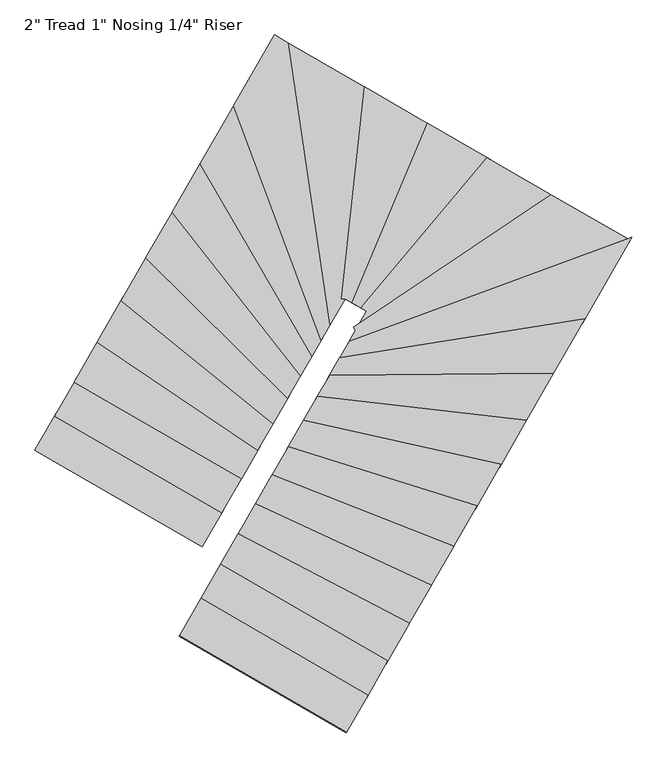
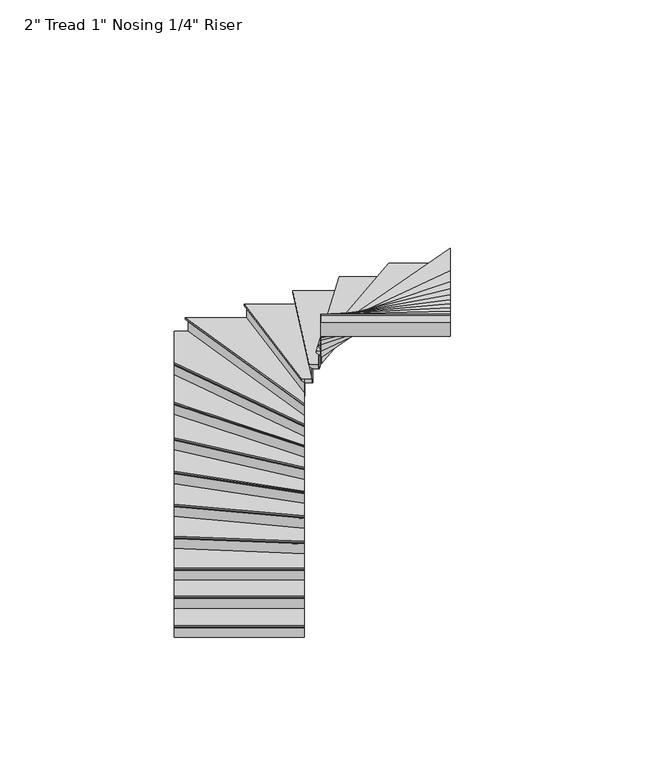
"""IFC4 building model written with IfcOpenShell, lengths in millimetres: stair flight geometry."""

from ifc_helpers import new_model, si_unit, origin, place, context, project, spatial, faceted_brep, source, transform, mapped, element, save


def stair_flight_3e697318(model_context):
    return source(origin(), model_context, "Body", "Brep", [
        faceted_brep([(55483.3110526, -118094.4424169, 12348.7961538), (55483.3110526, -118094.4424169, 12367.8461538), (54295.3554538, -117408.8419097, 12367.8461538), (54295.3554538, -117408.8419097, 12348.7961538), (55496.0073583, -118072.4432391, 12323.3961538), (54308.0517595, -117386.8427319, 12323.3961538), (55635.6667208, -117830.4522838, 12367.8461538), (54447.7111221, -117144.8517766, 12367.8461538), (54308.0517595, -117386.8427319, 12317.0461538), (54447.7111221, -117144.8517766, 12317.0461538), (55635.6667208, -117830.4522838, 12317.0461538), (55496.0073583, -118072.4432391, 12317.0461538)], [[[0, 1, 2, 3]], [[4, 0, 3, 5]], [[2, 1, 6, 7]], [[8, 9, 10, 11]], [[2, 7, 9, 8, 5, 3]], [[8, 11, 4, 5]], [[6, 1, 0, 4, 11, 10]], [[7, 6, 10, 9]]]),
        faceted_brep([(55496.0073583, -118072.4432391, 12317.0461538), (55496.0073583, -118072.4432391, 12192.0), (55499.1814347, -118066.9434447, 12192.0), (55499.1814347, -118066.9434447, 12317.0461538), (54308.0517595, -117386.8427319, 12317.0461538), (54311.2258359, -117381.3429375, 12317.0461538), (54311.2258359, -117381.3429375, 12192.0), (54308.0517595, -117386.8427319, 12192.0)], [[[0, 1, 2, 3]], [[4, 5, 6, 7]], [[1, 0, 4, 7]], [[2, 1, 7, 6]], [[3, 2, 6, 5]], [[0, 3, 5, 4]]]),
        faceted_brep([(55635.6667208, -117830.4522838, 12492.8923077), (55635.6667208, -117830.4522838, 12317.0461538), (55638.8407972, -117824.9524894, 12317.0461538), (55638.8407972, -117824.9524894, 12492.8923077), (54447.7111221, -117144.8517766, 12492.8923077), (54450.8851985, -117139.3519822, 12492.8923077), (54450.8851985, -117139.3519822, 12317.0461538), (54447.7111221, -117144.8517766, 12317.0461538)], [[[0, 1, 2, 3]], [[4, 5, 6, 7]], [[1, 0, 4, 7]], [[2, 1, 7, 6]], [[3, 2, 6, 5]], [[0, 3, 5, 4]]]),
        faceted_brep([(54435.0148164, -117166.8509544, 12543.6923077), (55622.9704151, -117852.4514616, 12543.6923077), (55775.3260834, -117588.4613285, 12543.6923077), (54587.3704847, -116902.8608213, 12543.6923077), (54447.7111221, -117144.8517766, 12492.8923077), (54587.3704847, -116902.8608213, 12492.8923077), (55775.3260834, -117588.4613285, 12492.8923077), (55635.6667208, -117830.4522838, 12492.8923077), (54447.7111221, -117144.8517766, 12499.2423077), (54435.0148164, -117166.8509544, 12524.6423077), (55635.6667208, -117830.4522838, 12499.2423077), (55622.9704151, -117852.4514616, 12524.6423077)], [[[0, 1, 2, 3]], [[4, 5, 6, 7]], [[0, 3, 5, 4, 8, 9]], [[4, 7, 10, 8]], [[2, 1, 11, 10, 7, 6]], [[3, 2, 6, 5]], [[11, 1, 0, 9]], [[10, 11, 9, 8]]]),
        faceted_brep([(55775.3260834, -117588.4613285, 12668.7384615), (55775.3260834, -117588.4613285, 12492.8923077), (55778.5001598, -117582.9615341, 12492.8923077), (55778.5001598, -117582.9615341, 12668.7384615), (54587.3704847, -116902.8608213, 12668.7384615), (54590.5445611, -116897.3610269, 12668.7384615), (54590.5445611, -116897.3610269, 12492.8923077), (54587.3704847, -116902.8608213, 12492.8923077)], [[[0, 1, 2, 3]], [[4, 5, 6, 7]], [[1, 0, 4, 7]], [[2, 1, 7, 6]], [[3, 2, 6, 5]], [[0, 3, 5, 4]]]),
        faceted_brep([(54574.674179, -116924.8599991, 12719.5384615), (55762.6297777, -117610.4605063, 12719.5384615), (55890.6801358, -117388.5847372, 12719.5384615), (54751.3990709, -116618.6447577, 12719.5384615), (54587.3704847, -116902.8608213, 12668.7384615), (54751.3990709, -116618.6447577, 12668.7384615), (55890.6801358, -117388.5847372, 12668.7384615), (55775.3260834, -117588.4613285, 12668.7384615), (54587.3704847, -116902.8608213, 12675.0884615), (54574.674179, -116924.8599991, 12700.4884615), (55775.3260834, -117588.4613285, 12675.0884615), (55762.6297777, -117610.4605063, 12700.4884615)], [[[0, 1, 2, 3]], [[4, 5, 6, 7]], [[0, 3, 5, 4, 8, 9]], [[4, 7, 10, 8]], [[2, 1, 11, 10, 7, 6]], [[3, 2, 6, 5]], [[11, 1, 0, 9]], [[10, 11, 9, 8]]]),
        faceted_brep([(55890.6801358, -117388.5847372, 12844.5846154), (55890.6801358, -117388.5847372, 12668.7384615), (55893.8622014, -117383.0710997, 12668.7384615), (55893.8622014, -117383.0710997, 12844.5846154), (54751.3990709, -116618.6447577, 12844.5846154), (54754.5811365, -116613.1311202, 12844.5846154), (54754.5811365, -116613.1311202, 12668.7384615), (54751.3990709, -116618.6447577, 12668.7384615)], [[[0, 1, 2, 3]], [[4, 5, 6, 7]], [[1, 0, 4, 7]], [[2, 1, 7, 6]], [[3, 2, 6, 5]], [[0, 3, 5, 4]]]),
        faceted_brep([(54738.6708085, -116640.6993076, 12895.3846154), (55877.9518734, -117410.6392871, 12895.3846154), (56000.9924459, -117197.4440874, 12895.3846154), (54920.6524828, -116325.3755198, 12895.3846154), (54751.3990709, -116618.6447577, 12844.5846154), (54920.6524828, -116325.3755198, 12844.5846154), (56000.9924459, -117197.4440874, 12844.5846154), (55890.6801358, -117388.5847372, 12844.5846154), (54751.3990709, -116618.6447577, 12850.9346154), (54738.6708085, -116640.6993076, 12876.3346154), (55890.6801358, -117388.5847372, 12850.9346154), (55877.9518734, -117410.6392871, 12876.3346154)], [[[0, 1, 2, 3]], [[4, 5, 6, 7]], [[0, 3, 5, 4, 8, 9]], [[4, 7, 10, 8]], [[2, 1, 11, 10, 7, 6]], [[3, 2, 6, 5]], [[11, 1, 0, 9]], [[10, 11, 9, 8]]]),
        faceted_brep([(56000.9924459, -117197.4440874, 13020.4307692), (56000.9924459, -117197.4440874, 12844.5846154), (56004.2053861, -117191.8769528, 12844.5846154), (56004.2053861, -117191.8769528, 13020.4307692), (54920.6524828, -116325.3755198, 13020.4307692), (54923.865423, -116319.8083852, 13020.4307692), (54923.865423, -116319.8083852, 12844.5846154), (54920.6524828, -116325.3755198, 12844.5846154)], [[[0, 1, 2, 3]], [[4, 5, 6, 7]], [[1, 0, 4, 7]], [[2, 1, 7, 6]], [[3, 2, 6, 5]], [[0, 3, 5, 4]]]),
        faceted_brep([(54907.8007219, -116347.6440583, 13071.2307692), (55988.1406851, -117219.7126259, 13071.2307692), (56104.509378, -117018.0779439, 13071.2307692), (55097.0082074, -116019.7999431, 13071.2307692), (54920.6524828, -116325.3755198, 13020.4307692), (55097.0082074, -116019.7999431, 13020.4307692), (56104.509378, -117018.0779439, 13020.4307692), (56000.9924459, -117197.4440874, 13020.4307692), (54920.6524828, -116325.3755198, 13026.7807692), (54907.8007219, -116347.6440583, 13052.1807692), (56000.9924459, -117197.4440874, 13026.7807692), (55988.1406851, -117219.7126259, 13052.1807692)], [[[0, 1, 2, 3]], [[4, 5, 6, 7]], [[0, 3, 5, 4, 8, 9]], [[4, 7, 10, 8]], [[2, 1, 11, 10, 7, 6]], [[3, 2, 6, 5]], [[11, 1, 0, 9]], [[10, 11, 9, 8]]]),
        faceted_brep([(56104.509378, -117018.0779439, 13196.2769231), (56104.509378, -117018.0779439, 13020.4307692), (56107.7915596, -117012.390833, 13020.4307692), (56107.7915596, -117012.390833, 13196.2769231), (55097.0082074, -116019.7999431, 13196.2769231), (55100.290389, -116014.1128323, 13196.2769231), (55100.290389, -116014.1128323, 13020.4307692), (55097.0082074, -116019.7999431, 13020.4307692)], [[[0, 1, 2, 3]], [[4, 5, 6, 7]], [[1, 0, 4, 7]], [[2, 1, 7, 6]], [[3, 2, 6, 5]], [[0, 3, 5, 4]]]),
        faceted_brep([(55083.8794808, -116042.5483864, 13247.0769231), (56091.3806514, -117040.8263872, 13247.0769231), (56198.549806, -116855.1319544, 13247.0769231), (55283.3574622, -115696.9083492, 13247.0769231), (55097.0082074, -116019.7999431, 13196.2769231), (55283.3574622, -115696.9083492, 13196.2769231), (56198.549806, -116855.1319544, 13196.2769231), (56104.509378, -117018.0779439, 13196.2769231), (55097.0082074, -116019.7999431, 13202.6269231), (55083.8794808, -116042.5483864, 13228.0269231), (56104.509378, -117018.0779439, 13202.6269231), (56091.3806514, -117040.8263872, 13228.0269231)], [[[0, 1, 2, 3]], [[4, 5, 6, 7]], [[0, 3, 5, 4, 8, 9]], [[4, 7, 10, 8]], [[2, 1, 11, 10, 7, 6]], [[3, 2, 6, 5]], [[11, 1, 0, 9]], [[10, 11, 9, 8]]]),
        faceted_brep([(56198.549806, -116855.1319544, 13372.1230769), (56198.549806, -116855.1319544, 13196.2769231), (56201.9658574, -116849.2128845, 13196.2769231), (56201.9658574, -116849.2128845, 13372.1230769), (55283.3574622, -115696.9083492, 13372.1230769), (55286.7735135, -115690.9892793, 13372.1230769), (55286.7735135, -115690.9892793, 13196.2769231), (55283.3574622, -115696.9083492, 13196.2769231)], [[[0, 1, 2, 3]], [[4, 5, 6, 7]], [[1, 0, 4, 7]], [[2, 1, 7, 6]], [[3, 2, 6, 5]], [[0, 3, 5, 4]]]),
        faceted_brep([(55269.6932567, -115720.5846289, 13422.9230769), (56184.8856006, -116878.8082341, 13422.9230769), (56278.789449, -116716.0988994, 13422.9230769), (55484.3868905, -115348.5800845, 13422.9230769), (55283.3574622, -115696.9083492, 13372.1230769), (55484.3868905, -115348.5800845, 13372.1230769), (56278.789449, -116716.0988994, 13372.1230769), (56198.549806, -116855.1319544, 13372.1230769), (55283.3574622, -115696.9083492, 13378.4730769), (55269.6932567, -115720.5846289, 13403.8730769), (56198.549806, -116855.1319544, 13378.4730769), (56184.8856006, -116878.8082341, 13403.8730769)], [[[0, 1, 2, 3]], [[4, 5, 6, 7]], [[0, 3, 5, 4, 8, 9]], [[4, 7, 10, 8]], [[2, 1, 11, 10, 7, 6]], [[3, 2, 6, 5]], [[11, 1, 0, 9]], [[10, 11, 9, 8]]]),
        faceted_brep([(56278.789449, -116716.0988994, 13547.9692308), (56278.789449, -116716.0988994, 13372.1230769), (56282.4492936, -116709.7574033, 13372.1230769), (56282.4492936, -116709.7574033, 13547.9692308), (55484.3868905, -115348.5800845, 13547.9692308), (55488.0467351, -115342.2385885, 13547.9692308), (55488.0467351, -115342.2385885, 13372.1230769), (55484.3868905, -115348.5800845, 13372.1230769)], [[[0, 1, 2, 3]], [[4, 5, 6, 7]], [[1, 0, 4, 7]], [[2, 1, 7, 6]], [[3, 2, 6, 5]], [[0, 3, 5, 4]]]),
        faceted_brep([(55469.747512, -115373.9460688, 13598.7692308), (56264.1500704, -116741.4648836, 13598.7692308), (56345.5625152, -116600.3996882, 13598.7692308), (55723.7276855, -114933.8688432, 13598.7692308), (55484.3868905, -115348.5800845, 13547.9692308), (55723.7276855, -114933.8688432, 13547.9692308), (56345.5625152, -116600.3996882, 13547.9692308), (56278.789449, -116716.0988994, 13547.9692308), (55484.3868905, -115348.5800845, 13554.3192308), (55469.747512, -115373.9460688, 13579.7192308), (56278.789449, -116716.0988994, 13554.3192308), (56264.1500704, -116741.4648836, 13579.7192308)], [[[0, 1, 2, 3]], [[4, 5, 6, 7]], [[0, 3, 5, 4, 8, 9]], [[4, 7, 10, 8]], [[2, 1, 11, 10, 7, 6]], [[3, 2, 6, 5]], [[11, 1, 0, 9]], [[10, 11, 9, 8]]]),
        faceted_brep([(56345.5625152, -116600.3996882, 13723.8153846), (56345.5625152, -116600.3996882, 13547.9692308), (56349.6788281, -116593.2672591, 13547.9692308), (56349.6788281, -116593.2672591, 13723.8153846), (55723.7276855, -114933.8688432, 13723.8153846), (55727.8439985, -114926.736414, 13723.8153846), (55727.8439985, -114926.736414, 13547.9692308), (55723.7276855, -114933.8688432, 13547.9692308)], [[[0, 1, 2, 3]], [[4, 5, 6, 7]], [[1, 0, 4, 7]], [[2, 1, 7, 6]], [[3, 2, 6, 5]], [[0, 3, 5, 4]]]),
        faceted_brep([(56127.1982329, -114535.1385758, 13774.6153846), (55997.1584277, -114460.0891745, 13774.6153846), (55707.2624336, -114962.3985598, 13774.6153846), (56329.0972633, -116628.9294049, 13774.6153846), (56413.1773754, -116483.2418815, 13774.6153846), (55997.1584277, -114460.0891745, 13723.8153846), (56127.1982329, -114535.1385758, 13723.8153846), (56413.1773754, -116483.2418815, 13723.8153846), (56345.5625152, -116600.3996882, 13723.8153846), (55723.7276855, -114933.8688432, 13723.8153846), (56345.5625152, -116600.3996882, 13730.1653846), (55723.7276855, -114933.8688432, 13730.1653846), (56329.0972633, -116628.9294049, 13755.5653846), (55707.2624336, -114962.3985598, 13755.5653846)], [[[0, 1, 2, 3, 4]], [[5, 6, 7, 8, 9]], [[1, 0, 6, 5]], [[9, 8, 10, 11]], [[4, 3, 12, 10, 8, 7]], [[0, 4, 7, 6]], [[12, 3, 2, 13]], [[10, 12, 13, 11]], [[2, 1, 5, 9, 11, 13]]]),
        faceted_brep([(56413.1773754, -116483.2418815, 13899.6615385), (56413.1773754, -116483.2418815, 13723.8153846), (56418.2939673, -116474.3762462, 13723.8153846), (56418.2939673, -116474.3762462, 13899.6615385), (56127.1982329, -114535.1385758, 13899.6615385), (56134.2103671, -114539.1854634, 13899.6615385), (56134.2103671, -114539.1854634, 13723.8153846), (56127.1982329, -114535.1385758, 13723.8153846)], [[[0, 1, 2, 3]], [[4, 5, 6, 7]], [[1, 0, 4, 7]], [[2, 1, 7, 6]], [[3, 2, 6, 5]], [[0, 3, 5, 4]]]),
        faceted_brep([(56099.149696, -114518.9510254, 13950.4615385), (56392.7110076, -116518.7044225, 13950.4615385), (56498.6326324, -116335.1716132, 13950.4615385), (56660.5784854, -114842.9663868, 13950.4615385), (56127.1982329, -114535.1385758, 13899.6615385), (56660.5784854, -114842.9663868, 13899.6615385), (56498.6326324, -116335.1716132, 13899.6615385), (56413.1773754, -116483.2418815, 13899.6615385), (56127.1982329, -114535.1385758, 13906.0115385), (56099.149696, -114518.9510254, 13931.4115385), (56413.1773754, -116483.2418815, 13906.0115385), (56392.7110076, -116518.7044225, 13931.4115385)], [[[0, 1, 2, 3]], [[4, 5, 6, 7]], [[0, 3, 5, 4, 8, 9]], [[4, 7, 10, 8]], [[2, 1, 11, 10, 7, 6]], [[3, 2, 6, 5]], [[11, 1, 0, 9]], [[10, 11, 9, 8]]]),
        faceted_brep([(56498.6326324, -116335.1716132, 14075.5076923), (56498.6326324, -116335.1716132, 13899.6615385), (56504.9455634, -116335.8567421, 13899.6615385), (56504.9455634, -116335.8567421, 14075.5076923), (56660.5784854, -114842.9663868, 14075.5076923), (56666.5892895, -114846.4353804, 14075.5076923), (56666.5892895, -114846.4353804, 13899.6615385), (56660.5784854, -114842.9663868, 13899.6615385)], [[[0, 1, 2, 3]], [[4, 5, 6, 7]], [[1, 0, 4, 7]], [[2, 1, 7, 6]], [[3, 2, 6, 5]], [[0, 3, 5, 4]]]),
        faceted_brep([(56636.5352688, -114829.0904124, 14126.3076923), (56473.3809082, -116332.4310974, 14126.3076923), (56498.6326324, -116335.1716132, 14126.3076923), (56499.5135193, -116333.6452804, 14126.3076923), (56571.8409572, -116375.3873524, 14126.3076923), (57105.7801082, -115099.9039851, 14126.3076923), (56660.5784854, -114842.9663868, 14075.5076923), (57105.7801082, -115099.9039851, 14075.5076923), (56571.8409572, -116375.3873524, 14075.5076923), (56499.5135193, -116333.6452804, 14075.5076923), (56498.6326324, -116335.1716132, 14075.5076923), (56660.5784854, -114842.9663868, 14081.8576923), (56636.5352688, -114829.0904124, 14107.2576923), (56498.6326324, -116335.1716132, 14081.8576923), (56473.3809082, -116332.4310974, 14107.2576923)], [[[0, 1, 2, 3, 4, 5]], [[6, 7, 8, 9, 10]], [[0, 5, 7, 6, 11, 12]], [[6, 10, 13, 11]], [[3, 2, 13, 10, 9]], [[4, 3, 9, 8]], [[5, 4, 8, 7]], [[14, 1, 0, 12]], [[13, 14, 12, 11]], [[1, 14, 13, 2]]]),
        faceted_brep([(56571.8409572, -116375.3873524, 14251.3538462), (56571.8409572, -116375.3873524, 14075.5076923), (56577.3853899, -116378.5871907, 14075.5076923), (56577.3853899, -116378.5871907, 14251.3538462), (57105.7801082, -115099.9039851, 14251.3538462), (57111.3245409, -115103.1038234, 14251.3538462), (57111.3245409, -115103.1038234, 14075.5076923), (57105.7801082, -115099.9039851, 14075.5076923)], [[[0, 1, 2, 3]], [[4, 5, 6, 7]], [[1, 0, 4, 7]], [[2, 1, 7, 6]], [[3, 2, 6, 5]], [[0, 3, 5, 4]]]),
        faceted_brep([(57083.6023775, -115087.1046318, 14302.1538462), (56549.6632265, -116362.5879991, 14302.1538462), (56634.3598376, -116411.4686472, 14302.1538462), (57528.8643257, -115344.0770455, 14302.1538462), (57105.7801082, -115099.9039851, 14251.3538462), (57528.8643257, -115344.0770455, 14251.3538462), (56634.3598376, -116411.4686472, 14251.3538462), (56571.8409572, -116375.3873524, 14251.3538462), (57105.7801082, -115099.9039851, 14257.7038462), (57083.6023775, -115087.1046318, 14283.1038462), (56571.8409572, -116375.3873524, 14257.7038462), (56549.6632265, -116362.5879991, 14283.1038462)], [[[0, 1, 2, 3]], [[4, 5, 6, 7]], [[0, 3, 5, 4, 8, 9]], [[4, 7, 10, 8]], [[3, 2, 6, 5]], [[11, 1, 0, 9]], [[10, 11, 9, 8]], [[2, 1, 11, 10, 7, 6]]]),
        faceted_brep([(56634.3598376, -116411.4686472, 14427.2), (56634.3598376, -116411.4686472, 14251.3538462), (56639.9440219, -116414.6914272, 14251.3538462), (56639.9440219, -116414.6914272, 14427.2), (57528.8643257, -115344.0770455, 14427.2), (57534.44851, -115347.2998255, 14427.2), (57534.44851, -115347.2998255, 14251.3538462), (57528.8643257, -115344.0770455, 14251.3538462)], [[[0, 1, 2, 3]], [[4, 5, 6, 7]], [[1, 0, 4, 7]], [[2, 1, 7, 6]], [[3, 2, 6, 5]], [[0, 3, 5, 4]]]),
        faceted_brep([(57506.5275886, -115331.1859254, 14478.0), (56612.0231004, -116398.577527, 14478.0), (56652.4189133, -116421.891016, 14478.0), (56575.4284532, -116555.294138, 14478.0), (57985.3178432, -115607.508409, 14478.0), (57528.8643257, -115344.0770455, 14427.2), (57985.3178432, -115607.508409, 14427.2), (56575.4284532, -116555.294138, 14427.2), (56652.4189133, -116421.891016, 14427.2), (56634.3598376, -116411.4686472, 14427.2), (57528.8643257, -115344.0770455, 14433.55), (57506.5275886, -115331.1859254, 14458.95), (56634.3598376, -116411.4686472, 14433.55), (56612.0231004, -116398.577527, 14458.95)], [[[0, 1, 2, 3, 4]], [[5, 6, 7, 8, 9]], [[0, 4, 6, 5, 10, 11]], [[5, 9, 12, 10]], [[2, 1, 13, 12, 9, 8]], [[4, 3, 7, 6]], [[13, 1, 0, 11]], [[12, 13, 11, 10]], [[3, 2, 8, 7]]]),
        faceted_brep([(56575.4284532, -116555.294138, 14603.0461538), (56575.4284532, -116555.294138, 14427.2), (56578.9711115, -116560.5640595, 14427.2), (56578.9711115, -116560.5640595, 14603.0461538), (57985.3178432, -115607.508409, 14603.0461538), (57991.4420956, -115611.0428765, 14603.0461538), (57991.4420956, -115611.0428765, 14427.2), (57985.3178432, -115607.508409, 14427.2)], [[[0, 1, 2, 3]], [[4, 5, 6, 7]], [[1, 0, 4, 7]], [[2, 1, 7, 6]], [[3, 2, 6, 5]], [[0, 3, 5, 4]]]),
        faceted_brep([(58518.7914816, -115931.9830035, 14653.8461538), (58525.9750192, -115919.5359245, 14653.8461538), (57960.8208337, -115593.3705387, 14653.8461538), (56561.25782, -116534.2144522, 14653.8461538), (56575.4284532, -116555.294138, 14653.8461538), (56509.6610007, -116669.2508994, 14653.8461538), (58525.9750192, -115919.5359245, 14603.0461538), (58518.7914816, -115931.9830035, 14603.0461538), (56509.6610007, -116669.2508994, 14603.0461538), (56575.4284532, -116555.294138, 14603.0461538), (57985.3178432, -115607.508409, 14603.0461538), (56575.4284532, -116555.294138, 14609.3961538), (57985.3178432, -115607.508409, 14609.3961538), (56561.25782, -116534.2144522, 14634.7961538), (57960.8208337, -115593.3705387, 14634.7961538)], [[[0, 1, 2, 3, 4, 5]], [[6, 7, 8, 9, 10]], [[1, 0, 7, 6]], [[10, 9, 11, 12]], [[5, 4, 11, 9, 8]], [[0, 5, 8, 7]], [[13, 3, 2, 14]], [[11, 13, 14, 12]], [[3, 13, 11, 4]], [[2, 1, 6, 10, 12, 14]]]),
        faceted_brep([(56509.6610007, -116669.2508994, 14778.8923077), (56509.6610007, -116669.2508994, 14603.0461538), (56504.7084302, -116677.832331, 14603.0461538), (56504.7084302, -116677.832331, 14778.8923077), (58518.7914816, -115931.9830035, 14778.8923077), (58513.8389111, -115940.5644351, 14778.8923077), (58513.8389111, -115940.5644351, 14603.0461538), (58518.7914816, -115931.9830035, 14603.0461538)], [[[0, 1, 2, 3]], [[4, 5, 6, 7]], [[1, 0, 4, 7]], [[2, 1, 7, 6]], [[3, 2, 6, 5]], [[0, 3, 5, 4]]]),
        faceted_brep([(58538.6017635, -115897.6572772, 14829.6923077), (56529.4712826, -116634.9251731, 14829.6923077), (56444.5185758, -116782.1246613, 14829.6923077), (58188.8462907, -116503.6865433, 14829.6923077), (58518.7914816, -115931.9830035, 14778.8923077), (58188.8462907, -116503.6865433, 14778.8923077), (56444.5185758, -116782.1246613, 14778.8923077), (56509.6610007, -116669.2508994, 14778.8923077), (58518.7914816, -115931.9830035, 14785.2423077), (58538.6017635, -115897.6572772, 14810.6423077), (56509.6610007, -116669.2508994, 14785.2423077), (56529.4712826, -116634.9251731, 14810.6423077)], [[[0, 1, 2, 3]], [[4, 5, 6, 7]], [[0, 3, 5, 4, 8, 9]], [[4, 7, 10, 8]], [[2, 1, 11, 10, 7, 6]], [[3, 2, 6, 5]], [[11, 1, 0, 9]], [[10, 11, 9, 8]]]),
        faceted_brep([(56444.5185758, -116782.1246613, 14954.7384615), (56444.5185758, -116782.1246613, 14778.8923077), (56440.4308514, -116789.2075543, 14778.8923077), (56440.4308514, -116789.2075543, 14954.7384615), (58188.8462907, -116503.6865433, 14954.7384615), (58184.7585663, -116510.7694363, 14954.7384615), (58184.7585663, -116510.7694363, 14778.8923077), (58188.8462907, -116503.6865433, 14778.8923077)], [[[0, 1, 2, 3]], [[4, 5, 6, 7]], [[1, 0, 4, 7]], [[2, 1, 7, 6]], [[3, 2, 6, 5]], [[0, 3, 5, 4]]]),
        faceted_brep([(58205.1971881, -116475.3549712, 15005.5384615), (56460.8694732, -116753.7930892, 15005.5384615), (56376.1510211, -116900.5866789, 15005.5384615), (57966.7396718, -116888.5357354, 15005.5384615), (58188.8462907, -116503.6865433, 14954.7384615), (57966.7396718, -116888.5357354, 14954.7384615), (56376.1510211, -116900.5866789, 14954.7384615), (56444.5185758, -116782.1246613, 14954.7384615), (58188.8462907, -116503.6865433, 14961.0884615), (58205.1971881, -116475.3549712, 14986.4884615), (56444.5185758, -116782.1246613, 14961.0884615), (56460.8694732, -116753.7930892, 14986.4884615)], [[[0, 1, 2, 3]], [[4, 5, 6, 7]], [[0, 3, 5, 4, 8, 9]], [[4, 7, 10, 8]], [[2, 1, 11, 10, 7, 6]], [[3, 2, 6, 5]], [[11, 1, 0, 9]], [[10, 11, 9, 8]]]),
        faceted_brep([(56376.1510211, -116900.5866789, 15130.5846154), (56376.1510211, -116900.5866789, 14954.7384615), (56372.4700683, -116906.9647496, 14954.7384615), (56372.4700683, -116906.9647496, 15130.5846154), (57966.7396718, -116888.5357354, 15130.5846154), (57963.0587191, -116894.9138061, 15130.5846154), (57963.0587191, -116894.9138061, 14954.7384615), (57966.7396718, -116888.5357354, 14954.7384615)], [[[0, 1, 2, 3]], [[4, 5, 6, 7]], [[1, 0, 4, 7]], [[2, 1, 7, 6]], [[3, 2, 6, 5]], [[0, 3, 5, 4]]]),
        faceted_brep([(57981.463483, -116863.0234529, 15181.3846154), (56390.8748322, -116875.0743964, 15181.3846154), (56290.9193651, -117048.2695086, 15181.3846154), (57774.4483697, -117221.7232499, 15181.3846154), (57966.7396718, -116888.5357354, 15130.5846154), (57774.4483697, -117221.7232499, 15130.5846154), (56290.9193651, -117048.2695086, 15130.5846154), (56376.1510211, -116900.5866789, 15130.5846154), (57966.7396718, -116888.5357354, 15136.9346154), (57981.463483, -116863.0234529, 15162.3346154), (56376.1510211, -116900.5866789, 15136.9346154), (56390.8748322, -116875.0743964, 15162.3346154)], [[[0, 1, 2, 3]], [[4, 5, 6, 7]], [[0, 3, 5, 4, 8, 9]], [[4, 7, 10, 8]], [[2, 1, 11, 10, 7, 6]], [[3, 2, 6, 5]], [[11, 1, 0, 9]], [[10, 11, 9, 8]]]),
        faceted_brep([(56290.9193651, -117048.2695086, 15306.4307692), (56290.9193651, -117048.2695086, 15130.5846154), (56287.4628832, -117054.2586334, 15130.5846154), (56287.4628832, -117054.2586334, 15306.4307692), (57774.4483697, -117221.7232499, 15306.4307692), (57770.9918878, -117227.7123748, 15306.4307692), (57770.9918878, -117227.7123748, 15130.5846154), (57774.4483697, -117221.7232499, 15130.5846154)], [[[0, 1, 2, 3]], [[4, 5, 6, 7]], [[1, 0, 4, 7]], [[2, 1, 7, 6]], [[3, 2, 6, 5]], [[0, 3, 5, 4]]]),
        faceted_brep([(57788.2742973, -117197.7667506, 15357.2307692), (56304.7452927, -117024.3130093, 15357.2307692), (56191.8685282, -117219.8971475, 15357.2307692), (57595.2160841, -117532.2831094, 15357.2307692), (57774.4483697, -117221.7232499, 15306.4307692), (57595.2160841, -117532.2831094, 15306.4307692), (56191.8685282, -117219.8971475, 15306.4307692), (56290.9193651, -117048.2695086, 15306.4307692), (57774.4483697, -117221.7232499, 15312.7807692), (57788.2742973, -117197.7667506, 15338.1807692), (56290.9193651, -117048.2695086, 15312.7807692), (56304.7452927, -117024.3130093, 15338.1807692)], [[[0, 1, 2, 3]], [[4, 5, 6, 7]], [[0, 3, 5, 4, 8, 9]], [[4, 7, 10, 8]], [[2, 1, 11, 10, 7, 6]], [[3, 2, 6, 5]], [[11, 1, 0, 9]], [[10, 11, 9, 8]]]),
        faceted_brep([(56191.8685282, -117219.8971475, 15482.2769231), (56191.8685282, -117219.8971475, 15306.4307692), (56188.5414966, -117225.6619707, 15306.4307692), (56188.5414966, -117225.6619707, 15482.2769231), (57595.2160841, -117532.2831094, 15482.2769231), (57591.8890526, -117538.0479327, 15482.2769231), (57591.8890526, -117538.0479327, 15306.4307692), (57595.2160841, -117532.2831094, 15306.4307692)], [[[0, 1, 2, 3]], [[4, 5, 6, 7]], [[1, 0, 4, 7]], [[2, 1, 7, 6]], [[3, 2, 6, 5]], [[0, 3, 5, 4]]]),
        faceted_brep([(57608.5242104, -117509.2238162, 15533.0769231), (56205.1766544, -117196.8378543, 15533.0769231), (56083.6564667, -117407.3986486, 15533.0769231), (57424.7076798, -117827.7269013, 15533.0769231), (57595.2160841, -117532.2831094, 15482.2769231), (57424.7076798, -117827.7269013, 15482.2769231), (56083.6564667, -117407.3986486, 15482.2769231), (56191.8685282, -117219.8971475, 15482.2769231), (57595.2160841, -117532.2831094, 15488.6269231), (57608.5242104, -117509.2238162, 15514.0269231), (56191.8685282, -117219.8971475, 15488.6269231), (56205.1766544, -117196.8378543, 15514.0269231)], [[[0, 1, 2, 3]], [[4, 5, 6, 7]], [[0, 3, 5, 4, 8, 9]], [[4, 7, 10, 8]], [[2, 1, 11, 10, 7, 6]], [[3, 2, 6, 5]], [[11, 1, 0, 9]], [[10, 11, 9, 8]]]),
        faceted_brep([(56083.6564667, -117407.3986486, 15658.1230769), (56083.6564667, -117407.3986486, 15482.2769231), (56080.4042175, -117413.0338947, 15482.2769231), (56080.4042175, -117413.0338947, 15658.1230769), (57424.7076798, -117827.7269013, 15658.1230769), (57421.4554306, -117833.3621474, 15658.1230769), (57421.4554306, -117833.3621474, 15482.2769231), (57424.7076798, -117827.7269013, 15482.2769231)], [[[0, 1, 2, 3]], [[4, 5, 6, 7]], [[1, 0, 4, 7]], [[2, 1, 7, 6]], [[3, 2, 6, 5]], [[0, 3, 5, 4]]]),
        faceted_brep([(57437.7166764, -117805.1859169, 15708.9230769), (56096.6654633, -117384.8576642, 15708.9230769), (55969.0639488, -117605.9557118, 15708.9230769), (57260.3202403, -118112.5647581, 15708.9230769), (57424.7076798, -117827.7269013, 15658.1230769), (57260.3202403, -118112.5647581, 15658.1230769), (55969.0639488, -117605.9557118, 15658.1230769), (56083.6564667, -117407.3986486, 15658.1230769), (57424.7076798, -117827.7269013, 15664.4730769), (57437.7166764, -117805.1859169, 15689.8730769), (56083.6564667, -117407.3986486, 15664.4730769), (56096.6654633, -117384.8576642, 15689.8730769)], [[[0, 1, 2, 3]], [[4, 5, 6, 7]], [[0, 3, 5, 4, 8, 9]], [[4, 7, 10, 8]], [[2, 1, 11, 10, 7, 6]], [[3, 2, 6, 5]], [[11, 1, 0, 9]], [[10, 11, 9, 8]]]),
        faceted_brep([(55969.0639488, -117605.9557118, 15833.9692308), (55969.0639488, -117605.9557118, 15658.1230769), (55965.8540456, -117611.517584, 15658.1230769), (55965.8540456, -117611.517584, 15833.9692308), (57260.3202403, -118112.5647581, 15833.9692308), (57257.1103371, -118118.1266303, 15833.9692308), (57257.1103371, -118118.1266303, 15658.1230769), (57260.3202403, -118112.5647581, 15658.1230769)], [[[0, 1, 2, 3]], [[4, 5, 6, 7]], [[1, 0, 4, 7]], [[2, 1, 7, 6]], [[3, 2, 6, 5]], [[0, 3, 5, 4]]]),
        faceted_brep([(57273.159853, -118090.317269, 15884.7692308), (55981.9035615, -117583.7082227, 15884.7692308), (55849.8518315, -117812.5172599, 15884.7692308), (57100.3946609, -118389.6714484, 15884.7692308), (57260.3202403, -118112.5647581, 15833.9692308), (57100.3946609, -118389.6714484, 15833.9692308), (55849.8518315, -117812.5172599, 15833.9692308), (55969.0639488, -117605.9557118, 15833.9692308), (57260.3202403, -118112.5647581, 15840.3192308), (57273.159853, -118090.317269, 15865.7192308), (55969.0639488, -117605.9557118, 15840.3192308), (55981.9035615, -117583.7082227, 15865.7192308)], [[[0, 1, 2, 3]], [[4, 5, 6, 7]], [[0, 3, 5, 4, 8, 9]], [[4, 7, 10, 8]], [[2, 1, 11, 10, 7, 6]], [[3, 2, 6, 5]], [[11, 1, 0, 9]], [[10, 11, 9, 8]]]),
        faceted_brep([(55849.8518315, -117812.5172599, 16009.8153846), (55849.8518315, -117812.5172599, 15833.9692308), (55846.6645569, -117818.0399232, 15833.9692308), (55846.6645569, -117818.0399232, 16009.8153846), (57100.3946609, -118389.6714484, 16009.8153846), (57097.2073863, -118395.1941116, 16009.8153846), (57097.2073863, -118395.1941116, 15833.9692308), (57100.3946609, -118389.6714484, 15833.9692308)], [[[0, 1, 2, 3]], [[4, 5, 6, 7]], [[1, 0, 4, 7]], [[2, 1, 7, 6]], [[3, 2, 6, 5]], [[0, 3, 5, 4]]]),
        faceted_brep([(57113.1437594, -118367.5807953, 16060.6153846), (55862.60093, -117790.4266069, 16060.6153846), (55727.1885415, -118025.0587336, 16060.6153846), (56943.8226061, -118660.9674104, 16060.6153846), (57100.3946609, -118389.6714484, 16009.8153846), (56943.8226061, -118660.9674104, 16009.8153846), (55727.1885415, -118025.0587336, 16009.8153846), (55849.8518315, -117812.5172599, 16009.8153846), (57100.3946609, -118389.6714484, 16016.1653846), (57113.1437594, -118367.5807953, 16041.5653846), (55849.8518315, -117812.5172599, 16016.1653846), (55862.60093, -117790.4266069, 16041.5653846)], [[[0, 1, 2, 3]], [[4, 5, 6, 7]], [[0, 3, 5, 4, 8, 9]], [[4, 7, 10, 8]], [[2, 1, 11, 10, 7, 6]], [[3, 2, 6, 5]], [[11, 1, 0, 9]], [[10, 11, 9, 8]]]),
        faceted_brep([(55727.1885415, -118025.0587336, 16185.6615385), (55727.1885415, -118025.0587336, 16009.8153846), (55724.0116894, -118030.5633375, 16009.8153846), (55724.0116894, -118030.5633375, 16185.6615385), (56943.8226061, -118660.9674104, 16185.6615385), (56940.645754, -118666.4720143, 16185.6615385), (56940.645754, -118666.4720143, 16009.8153846), (56943.8226061, -118660.9674104, 16009.8153846)], [[[0, 1, 2, 3]], [[4, 5, 6, 7]], [[1, 0, 4, 7]], [[2, 1, 7, 6]], [[3, 2, 6, 5]], [[0, 3, 5, 4]]]),
        faceted_brep([(56956.5300144, -118638.9489948, 16236.4615385), (55739.8959498, -118003.040318, 16236.4615385), (55601.8795145, -118242.1845359, 16236.4615385), (56789.8351132, -118927.7850431, 16236.4615385), (56943.8226061, -118660.9674104, 16185.6615385), (56789.8351132, -118927.7850431, 16185.6615385), (55601.8795145, -118242.1845359, 16185.6615385), (55727.1885415, -118025.0587336, 16185.6615385), (56943.8226061, -118660.9674104, 16192.0115385), (56956.5300144, -118638.9489948, 16217.4115385), (55727.1885415, -118025.0587336, 16192.0115385), (55739.8959498, -118003.040318, 16217.4115385)], [[[0, 1, 2, 3]], [[4, 5, 6, 7]], [[0, 3, 5, 4, 8, 9]], [[4, 7, 10, 8]], [[2, 1, 11, 10, 7, 6]], [[3, 2, 6, 5]], [[11, 1, 0, 9]], [[10, 11, 9, 8]]]),
        faceted_brep([(55601.8795145, -118242.1845359, 16361.5076923), (55601.8795145, -118242.1845359, 16185.6615385), (55598.7054381, -118247.6843303, 16185.6615385), (55598.7054381, -118247.6843303, 16361.5076923), (56789.8351132, -118927.7850431, 16361.5076923), (56786.6610368, -118933.2848375, 16361.5076923), (56786.6610368, -118933.2848375, 16185.6615385), (56789.8351132, -118927.7850431, 16185.6615385)], [[[0, 1, 2, 3]], [[4, 5, 6, 7]], [[1, 0, 4, 7]], [[2, 1, 7, 6]], [[3, 2, 6, 5]], [[0, 3, 5, 4]]]),
        faceted_brep([(56802.5314189, -118905.7858653, 16412.3076923), (55614.5758202, -118220.1853581, 16412.3076923), (55462.2201519, -118484.1754912, 16412.3076923), (56650.1757506, -119169.7759984, 16412.3076923), (56789.8351132, -118927.7850431, 16361.5076923), (56650.1757506, -119169.7759984, 16361.5076923), (55462.2201519, -118484.1754912, 16361.5076923), (55601.8795145, -118242.1845359, 16361.5076923), (56789.8351132, -118927.7850431, 16367.8576923), (56802.5314189, -118905.7858653, 16393.2576923), (55601.8795145, -118242.1845359, 16367.8576923), (55614.5758202, -118220.1853581, 16393.2576923)], [[[0, 1, 2, 3]], [[4, 5, 6, 7]], [[0, 3, 5, 4, 8, 9]], [[4, 7, 10, 8]], [[2, 1, 11, 10, 7, 6]], [[3, 2, 6, 5]], [[11, 1, 0, 9]], [[10, 11, 9, 8]]]),
        faceted_brep([(55462.2201519, -118484.1754912, 16537.3538462), (55462.2201519, -118484.1754912, 16361.5076923), (55459.0460755, -118489.6752856, 16361.5076923), (55459.0460755, -118489.6752856, 16537.3538462), (56650.1757506, -119169.7759984, 16537.3538462), (56647.0016742, -119175.2757928, 16537.3538462), (56647.0016742, -119175.2757928, 16361.5076923), (56650.1757506, -119169.7759984, 16361.5076923)], [[[0, 1, 2, 3]], [[4, 5, 6, 7]], [[1, 0, 4, 7]], [[2, 1, 7, 6]], [[3, 2, 6, 5]], [[0, 3, 5, 4]]]),
        faceted_brep([(55322.5607893, -118726.1664465, 16713.2), (55322.5607893, -118726.1664465, 16537.3538462), (55319.3867129, -118731.6662409, 16537.3538462), (55319.3867129, -118731.6662409, 16713.2), (56510.5163881, -119411.7669537, 16713.2), (56507.3423116, -119417.2667481, 16713.2), (56507.3423116, -119417.2667481, 16537.3538462), (56510.5163881, -119411.7669537, 16537.3538462)], [[[0, 1, 2, 3]], [[4, 5, 6, 7]], [[1, 0, 4, 7]], [[2, 1, 7, 6]], [[3, 2, 6, 5]], [[0, 3, 5, 4]]]),
        faceted_brep([(56662.8720563, -119147.7768206, 16588.1538462), (55474.9164576, -118462.1763134, 16588.1538462), (55322.5607893, -118726.1664465, 16588.1538462), (56510.5163881, -119411.7669537, 16588.1538462), (56650.1757506, -119169.7759984, 16537.3538462), (56510.5163881, -119411.7669537, 16537.3538462), (55322.5607893, -118726.1664465, 16537.3538462), (55462.2201519, -118484.1754912, 16537.3538462), (56650.1757506, -119169.7759984, 16543.7038462), (56662.8720563, -119147.7768206, 16569.1038462), (55462.2201519, -118484.1754912, 16543.7038462), (55474.9164576, -118462.1763134, 16569.1038462)], [[[0, 1, 2, 3]], [[4, 5, 6, 7]], [[0, 3, 5, 4, 8, 9]], [[4, 7, 10, 8]], [[2, 1, 11, 10, 7, 6]], [[3, 2, 6, 5]], [[11, 1, 0, 9]], [[10, 11, 9, 8]]]),
    ])


if __name__ == "__main__":
    model = new_model("IFC4")
    model_context = context("Model", 3, world=origin())
    ifc_project = project(units=[si_unit("LENGTHUNIT", "METRE", prefix="MILLI")], contexts=[model_context])
    site = spatial("IfcSite", under=ifc_project)
    building = spatial("IfcBuilding", under=site)
    placement = place(None, origin())
    stair_flight_shape = stair_flight_3e697318(model_context)
    element("IfcStairFlight", 1, ObjectType="2\" Tread 1\" Nosing 1/4\" Riser", at=placement, inside=building, context=model_context, shape_type="MappedRepresentation", body=[
        mapped(stair_flight_shape, transform((0.0, 0.0, 0.0), x_axis=(1.0, 0.0, 0.0), y_axis=(0.0, 1.0, 0.0), z_axis=(0.0, 0.0, 1.0))),
    ])
    save(model, "model.ifc")
